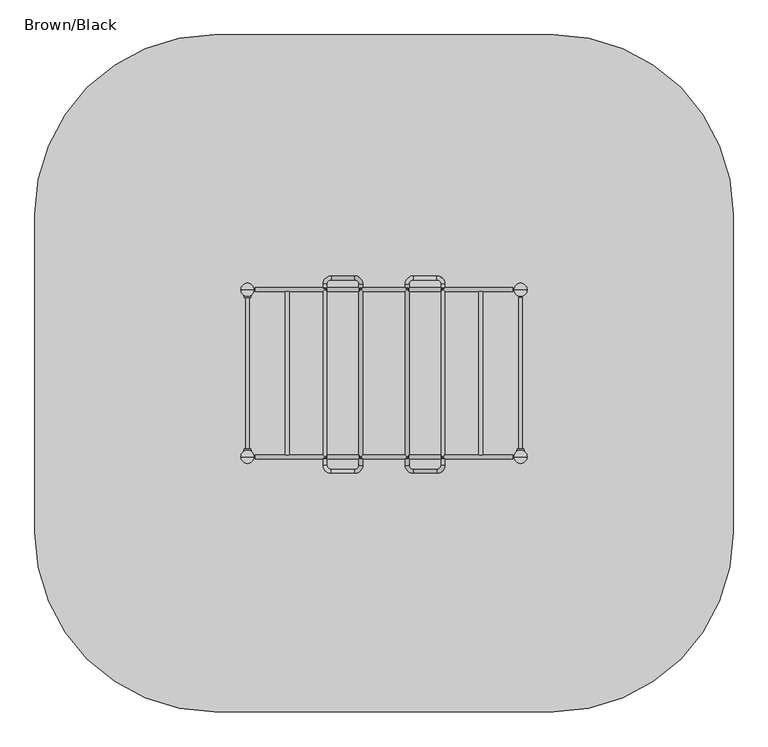
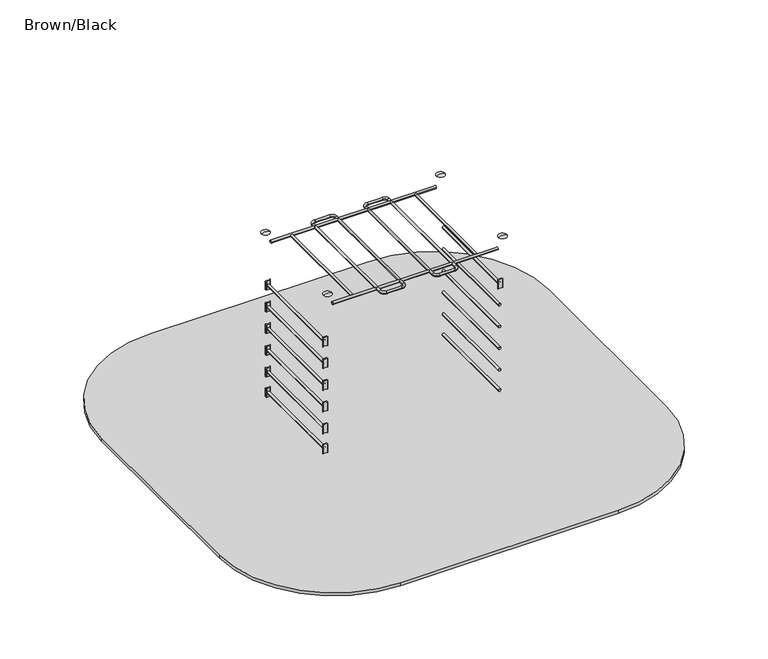
"""IFC4 building model written with IfcOpenShell, lengths in millimetres: furniture geometry, Brown/Black."""

from ifc_helpers import new_model, si_unit, point, frame, frame_2d, origin, place, context, project, spatial, polyline, circle_curve, ellipse_curve, trimmed, segment, composite_curve, outline, extrude, source, transform, mapped, element, save
from ifc_brep_helpers import plane_surface, cylinder_surface, revolved_surface, advanced_brep


def brown_black_d3753073(model_context):
    return source(origin(), model_context, "Body", "SolidModel", [
        extrude(outline(composite_curve([segment(trimmed(circle_curve(frame_2d((1708.6300052, 252.0740781)), 1.0), [point((1709.1723266, 251.233907))], [point((1707.6903126, 252.4160982))], False, "CARTESIAN"), True, "CONTINUOUS"), segment(polyline([(1707.6903126, 252.4160982), (1713.7605168, 269.0938471)]), True, "CONTINUOUS"), segment(trimmed(circle_curve(frame_2d((1714.7002094, 268.751827)), 1.0), [point((1713.7605168, 269.0938471))], [point((1714.7002094, 269.751827))], False, "CARTESIAN"), True, "CONTINUOUS"), segment(polyline([(1714.7002094, 269.751827), (1763.2997943, 269.751827)]), True, "CONTINUOUS"), segment(trimmed(circle_curve(frame_2d((1763.2997943, 268.751827)), 1.0), [point((1763.2997943, 269.751827))], [point((1764.2394869, 269.0938471))], False, "CARTESIAN"), True, "CONTINUOUS"), segment(polyline([(1764.2394869, 269.0938471), (1770.3096911, 252.4160982)]), True, "CONTINUOUS"), segment(trimmed(circle_curve(frame_2d((1769.3699985, 252.0740781)), 1.0), [point((1770.3096911, 252.4160982))], [point((1768.8276771, 251.233907))], False, "CARTESIAN"), True, "CONTINUOUS"), segment(trimmed(circle_curve(frame_2d((1739.0000019, 205.0244946)), 55.0), [point((1768.8276771, 251.233907))], [point((1709.1723266, 251.233907))], True, "CARTESIAN"), True, "CONTINUOUS")], self_intersect=False)), frame((0.0, 0.0, 1850.0), z_axis=(0.0, 0.0, 1.0), x_axis=(1.0, 0.0, 0.0)), (0.0, 0.0, 1.0), 120.0),
        extrude(outline(composite_curve([segment(trimmed(circle_curve(frame_2d((-516.6300052, 1557.9475586)), 1.0), [point((-517.1723266, 1558.7877298))], [point((-515.6903126, 1557.6055385))], False, "CARTESIAN"), True, "CONTINUOUS"), segment(polyline([(-515.6903126, 1557.6055385), (-521.7605168, 1540.9277896)]), True, "CONTINUOUS"), segment(trimmed(circle_curve(frame_2d((-522.7002094, 1541.2698097)), 1.0), [point((-521.7605168, 1540.9277896))], [point((-522.7002094, 1540.2698097))], False, "CARTESIAN"), True, "CONTINUOUS"), segment(polyline([(-522.7002094, 1540.2698097), (-571.2997943, 1540.2698097)]), True, "CONTINUOUS"), segment(trimmed(circle_curve(frame_2d((-571.2997943, 1541.2698097)), 1.0), [point((-571.2997943, 1540.2698097))], [point((-572.2394869, 1540.9277896))], False, "CARTESIAN"), True, "CONTINUOUS"), segment(polyline([(-572.2394869, 1540.9277896), (-578.3096911, 1557.6055385)]), True, "CONTINUOUS"), segment(trimmed(circle_curve(frame_2d((-577.3699985, 1557.9475586)), 1.0), [point((-578.3096911, 1557.6055385))], [point((-576.8276771, 1558.7877298))], False, "CARTESIAN"), True, "CONTINUOUS"), segment(trimmed(circle_curve(frame_2d((-547.0000019, 1604.9971421)), 55.0), [point((-576.8276771, 1558.7877298))], [point((-517.1723266, 1558.7877298))], True, "CARTESIAN"), True, "CONTINUOUS")], self_intersect=False)), frame((0.0, 0.0, 370.0), z_axis=(0.0, 0.0, 1.0), x_axis=(1.0, 0.0, 0.0)), (0.0, 0.0, 1.0), 120.0),
        extrude(outline(composite_curve([segment(trimmed(circle_curve(frame_2d((-577.3699948, 252.0740781)), 1.0), [point((-576.8276734, 251.233907))], [point((-578.3096874, 252.4160982))], False, "CARTESIAN"), True, "CONTINUOUS"), segment(polyline([(-578.3096874, 252.4160982), (-572.2394832, 269.0938471)]), True, "CONTINUOUS"), segment(trimmed(circle_curve(frame_2d((-571.2997906, 268.751827)), 1.0), [point((-572.2394832, 269.0938471))], [point((-571.2997906, 269.751827))], False, "CARTESIAN"), True, "CONTINUOUS"), segment(polyline([(-571.2997906, 269.751827), (-522.7002057, 269.751827)]), True, "CONTINUOUS"), segment(trimmed(circle_curve(frame_2d((-522.7002057, 268.751827)), 1.0), [point((-522.7002057, 269.751827))], [point((-521.7605131, 269.0938471))], False, "CARTESIAN"), True, "CONTINUOUS"), segment(polyline([(-521.7605131, 269.0938471), (-515.6903089, 252.4160982)]), True, "CONTINUOUS"), segment(trimmed(circle_curve(frame_2d((-516.6300015, 252.0740781)), 1.0), [point((-515.6903089, 252.4160982))], [point((-517.1723229, 251.233907))], False, "CARTESIAN"), True, "CONTINUOUS"), segment(trimmed(circle_curve(frame_2d((-546.9999981, 205.0244946)), 55.0), [point((-517.1723229, 251.233907))], [point((-576.8276734, 251.233907))], True, "CARTESIAN"), True, "CONTINUOUS")], self_intersect=False)), frame((0.0, 0.0, 370.0), z_axis=(0.0, 0.0, 1.0), x_axis=(1.0, 0.0, 0.0)), (0.0, 0.0, 1.0), 120.0),
        extrude(outline(composite_curve([segment(trimmed(circle_curve(frame_2d((-516.6300052, 1557.9475586)), 1.0), [point((-517.1723266, 1558.7877298))], [point((-515.6903126, 1557.6055385))], False, "CARTESIAN"), True, "CONTINUOUS"), segment(polyline([(-515.6903126, 1557.6055385), (-521.7605168, 1540.9277896)]), True, "CONTINUOUS"), segment(trimmed(circle_curve(frame_2d((-522.7002094, 1541.2698097)), 1.0), [point((-521.7605168, 1540.9277896))], [point((-522.7002094, 1540.2698097))], False, "CARTESIAN"), True, "CONTINUOUS"), segment(polyline([(-522.7002094, 1540.2698097), (-571.2997943, 1540.2698097)]), True, "CONTINUOUS"), segment(trimmed(circle_curve(frame_2d((-571.2997943, 1541.2698097)), 1.0), [point((-571.2997943, 1540.2698097))], [point((-572.2394869, 1540.9277896))], False, "CARTESIAN"), True, "CONTINUOUS"), segment(polyline([(-572.2394869, 1540.9277896), (-578.3096911, 1557.6055385)]), True, "CONTINUOUS"), segment(trimmed(circle_curve(frame_2d((-577.3699985, 1557.9475586)), 1.0), [point((-578.3096911, 1557.6055385))], [point((-576.8276771, 1558.7877298))], False, "CARTESIAN"), True, "CONTINUOUS"), segment(trimmed(circle_curve(frame_2d((-547.0000019, 1604.9971421)), 55.0), [point((-576.8276771, 1558.7877298))], [point((-517.1723266, 1558.7877298))], True, "CARTESIAN"), True, "CONTINUOUS")], self_intersect=False)), frame((0.0, 0.0, 650.0), z_axis=(0.0, 0.0, 1.0), x_axis=(1.0, 0.0, 0.0)), (0.0, 0.0, 1.0), 120.0),
        extrude(outline(composite_curve([segment(trimmed(circle_curve(frame_2d((-577.3699948, 252.0740781)), 1.0), [point((-576.8276734, 251.233907))], [point((-578.3096874, 252.4160982))], False, "CARTESIAN"), True, "CONTINUOUS"), segment(polyline([(-578.3096874, 252.4160982), (-572.2394832, 269.0938471)]), True, "CONTINUOUS"), segment(trimmed(circle_curve(frame_2d((-571.2997906, 268.751827)), 1.0), [point((-572.2394832, 269.0938471))], [point((-571.2997906, 269.751827))], False, "CARTESIAN"), True, "CONTINUOUS"), segment(polyline([(-571.2997906, 269.751827), (-522.7002057, 269.751827)]), True, "CONTINUOUS"), segment(trimmed(circle_curve(frame_2d((-522.7002057, 268.751827)), 1.0), [point((-522.7002057, 269.751827))], [point((-521.7605131, 269.0938471))], False, "CARTESIAN"), True, "CONTINUOUS"), segment(polyline([(-521.7605131, 269.0938471), (-515.6903089, 252.4160982)]), True, "CONTINUOUS"), segment(trimmed(circle_curve(frame_2d((-516.6300015, 252.0740781)), 1.0), [point((-515.6903089, 252.4160982))], [point((-517.1723229, 251.233907))], False, "CARTESIAN"), True, "CONTINUOUS"), segment(trimmed(circle_curve(frame_2d((-546.9999981, 205.0244946)), 55.0), [point((-517.1723229, 251.233907))], [point((-576.8276734, 251.233907))], True, "CARTESIAN"), True, "CONTINUOUS")], self_intersect=False)), frame((0.0, 0.0, 650.0), z_axis=(0.0, 0.0, 1.0), x_axis=(1.0, 0.0, 0.0)), (0.0, 0.0, 1.0), 120.0),
        extrude(outline(composite_curve([segment(trimmed(circle_curve(frame_2d((-516.6300052, 1557.9475586)), 1.0), [point((-517.1723266, 1558.7877298))], [point((-515.6903126, 1557.6055385))], False, "CARTESIAN"), True, "CONTINUOUS"), segment(polyline([(-515.6903126, 1557.6055385), (-521.7605168, 1540.9277896)]), True, "CONTINUOUS"), segment(trimmed(circle_curve(frame_2d((-522.7002094, 1541.2698097)), 1.0), [point((-521.7605168, 1540.9277896))], [point((-522.7002094, 1540.2698097))], False, "CARTESIAN"), True, "CONTINUOUS"), segment(polyline([(-522.7002094, 1540.2698097), (-571.2997943, 1540.2698097)]), True, "CONTINUOUS"), segment(trimmed(circle_curve(frame_2d((-571.2997943, 1541.2698097)), 1.0), [point((-571.2997943, 1540.2698097))], [point((-572.2394869, 1540.9277896))], False, "CARTESIAN"), True, "CONTINUOUS"), segment(polyline([(-572.2394869, 1540.9277896), (-578.3096911, 1557.6055385)]), True, "CONTINUOUS"), segment(trimmed(circle_curve(frame_2d((-577.3699985, 1557.9475586)), 1.0), [point((-578.3096911, 1557.6055385))], [point((-576.8276771, 1558.7877298))], False, "CARTESIAN"), True, "CONTINUOUS"), segment(trimmed(circle_curve(frame_2d((-547.0000019, 1604.9971421)), 55.0), [point((-576.8276771, 1558.7877298))], [point((-517.1723266, 1558.7877298))], True, "CARTESIAN"), True, "CONTINUOUS")], self_intersect=False)), frame((0.0, 0.0, 950.0), z_axis=(0.0, 0.0, 1.0), x_axis=(1.0, 0.0, 0.0)), (0.0, 0.0, 1.0), 120.0),
        extrude(outline(composite_curve([segment(trimmed(circle_curve(frame_2d((-577.3699948, 252.0740781)), 1.0), [point((-576.8276734, 251.233907))], [point((-578.3096874, 252.4160982))], False, "CARTESIAN"), True, "CONTINUOUS"), segment(polyline([(-578.3096874, 252.4160982), (-572.2394832, 269.0938471)]), True, "CONTINUOUS"), segment(trimmed(circle_curve(frame_2d((-571.2997906, 268.751827)), 1.0), [point((-572.2394832, 269.0938471))], [point((-571.2997906, 269.751827))], False, "CARTESIAN"), True, "CONTINUOUS"), segment(polyline([(-571.2997906, 269.751827), (-522.7002057, 269.751827)]), True, "CONTINUOUS"), segment(trimmed(circle_curve(frame_2d((-522.7002057, 268.751827)), 1.0), [point((-522.7002057, 269.751827))], [point((-521.7605131, 269.0938471))], False, "CARTESIAN"), True, "CONTINUOUS"), segment(polyline([(-521.7605131, 269.0938471), (-515.6903089, 252.4160982)]), True, "CONTINUOUS"), segment(trimmed(circle_curve(frame_2d((-516.6300015, 252.0740781)), 1.0), [point((-515.6903089, 252.4160982))], [point((-517.1723229, 251.233907))], False, "CARTESIAN"), True, "CONTINUOUS"), segment(trimmed(circle_curve(frame_2d((-546.9999981, 205.0244946)), 55.0), [point((-517.1723229, 251.233907))], [point((-576.8276734, 251.233907))], True, "CARTESIAN"), True, "CONTINUOUS")], self_intersect=False)), frame((0.0, 0.0, 950.0), z_axis=(0.0, 0.0, 1.0), x_axis=(1.0, 0.0, 0.0)), (0.0, 0.0, 1.0), 120.0),
        extrude(outline(composite_curve([segment(trimmed(circle_curve(frame_2d((-516.6300052, 1557.9475586)), 1.0), [point((-517.1723266, 1558.7877298))], [point((-515.6903126, 1557.6055385))], False, "CARTESIAN"), True, "CONTINUOUS"), segment(polyline([(-515.6903126, 1557.6055385), (-521.7605168, 1540.9277896)]), True, "CONTINUOUS"), segment(trimmed(circle_curve(frame_2d((-522.7002094, 1541.2698097)), 1.0), [point((-521.7605168, 1540.9277896))], [point((-522.7002094, 1540.2698097))], False, "CARTESIAN"), True, "CONTINUOUS"), segment(polyline([(-522.7002094, 1540.2698097), (-571.2997943, 1540.2698097)]), True, "CONTINUOUS"), segment(trimmed(circle_curve(frame_2d((-571.2997943, 1541.2698097)), 1.0), [point((-571.2997943, 1540.2698097))], [point((-572.2394869, 1540.9277896))], False, "CARTESIAN"), True, "CONTINUOUS"), segment(polyline([(-572.2394869, 1540.9277896), (-578.3096911, 1557.6055385)]), True, "CONTINUOUS"), segment(trimmed(circle_curve(frame_2d((-577.3699985, 1557.9475586)), 1.0), [point((-578.3096911, 1557.6055385))], [point((-576.8276771, 1558.7877298))], False, "CARTESIAN"), True, "CONTINUOUS"), segment(trimmed(circle_curve(frame_2d((-547.0000019, 1604.9971421)), 55.0), [point((-576.8276771, 1558.7877298))], [point((-517.1723266, 1558.7877298))], True, "CARTESIAN"), True, "CONTINUOUS")], self_intersect=False)), frame((0.0, 0.0, 1250.0), z_axis=(0.0, 0.0, 1.0), x_axis=(1.0, 0.0, 0.0)), (0.0, 0.0, 1.0), 120.0),
        extrude(outline(composite_curve([segment(trimmed(circle_curve(frame_2d((-577.3699948, 252.0740781)), 1.0), [point((-576.8276734, 251.233907))], [point((-578.3096874, 252.4160982))], False, "CARTESIAN"), True, "CONTINUOUS"), segment(polyline([(-578.3096874, 252.4160982), (-572.2394832, 269.0938471)]), True, "CONTINUOUS"), segment(trimmed(circle_curve(frame_2d((-571.2997906, 268.751827)), 1.0), [point((-572.2394832, 269.0938471))], [point((-571.2997906, 269.751827))], False, "CARTESIAN"), True, "CONTINUOUS"), segment(polyline([(-571.2997906, 269.751827), (-522.7002057, 269.751827)]), True, "CONTINUOUS"), segment(trimmed(circle_curve(frame_2d((-522.7002057, 268.751827)), 1.0), [point((-522.7002057, 269.751827))], [point((-521.7605131, 269.0938471))], False, "CARTESIAN"), True, "CONTINUOUS"), segment(polyline([(-521.7605131, 269.0938471), (-515.6903089, 252.4160982)]), True, "CONTINUOUS"), segment(trimmed(circle_curve(frame_2d((-516.6300015, 252.0740781)), 1.0), [point((-515.6903089, 252.4160982))], [point((-517.1723229, 251.233907))], False, "CARTESIAN"), True, "CONTINUOUS"), segment(trimmed(circle_curve(frame_2d((-546.9999981, 205.0244946)), 55.0), [point((-517.1723229, 251.233907))], [point((-576.8276734, 251.233907))], True, "CARTESIAN"), True, "CONTINUOUS")], self_intersect=False)), frame((0.0, 0.0, 1250.0), z_axis=(0.0, 0.0, 1.0), x_axis=(1.0, 0.0, 0.0)), (0.0, 0.0, 1.0), 120.0),
        extrude(outline(composite_curve([segment(trimmed(circle_curve(frame_2d((-516.6300052, 1557.9475586)), 1.0), [point((-517.1723266, 1558.7877298))], [point((-515.6903126, 1557.6055385))], False, "CARTESIAN"), True, "CONTINUOUS"), segment(polyline([(-515.6903126, 1557.6055385), (-521.7605168, 1540.9277896)]), True, "CONTINUOUS"), segment(trimmed(circle_curve(frame_2d((-522.7002094, 1541.2698097)), 1.0), [point((-521.7605168, 1540.9277896))], [point((-522.7002094, 1540.2698097))], False, "CARTESIAN"), True, "CONTINUOUS"), segment(polyline([(-522.7002094, 1540.2698097), (-571.2997943, 1540.2698097)]), True, "CONTINUOUS"), segment(trimmed(circle_curve(frame_2d((-571.2997943, 1541.2698097)), 1.0), [point((-571.2997943, 1540.2698097))], [point((-572.2394869, 1540.9277896))], False, "CARTESIAN"), True, "CONTINUOUS"), segment(polyline([(-572.2394869, 1540.9277896), (-578.3096911, 1557.6055385)]), True, "CONTINUOUS"), segment(trimmed(circle_curve(frame_2d((-577.3699985, 1557.9475586)), 1.0), [point((-578.3096911, 1557.6055385))], [point((-576.8276771, 1558.7877298))], False, "CARTESIAN"), True, "CONTINUOUS"), segment(trimmed(circle_curve(frame_2d((-547.0000019, 1604.9971421)), 55.0), [point((-576.8276771, 1558.7877298))], [point((-517.1723266, 1558.7877298))], True, "CARTESIAN"), True, "CONTINUOUS")], self_intersect=False)), frame((0.0, 0.0, 1550.0), z_axis=(0.0, 0.0, 1.0), x_axis=(1.0, 0.0, 0.0)), (0.0, 0.0, 1.0), 120.0),
        extrude(outline(composite_curve([segment(trimmed(circle_curve(frame_2d((-577.3699948, 252.0740781)), 1.0), [point((-576.8276734, 251.233907))], [point((-578.3096874, 252.4160982))], False, "CARTESIAN"), True, "CONTINUOUS"), segment(polyline([(-578.3096874, 252.4160982), (-572.2394832, 269.0938471)]), True, "CONTINUOUS"), segment(trimmed(circle_curve(frame_2d((-571.2997906, 268.751827)), 1.0), [point((-572.2394832, 269.0938471))], [point((-571.2997906, 269.751827))], False, "CARTESIAN"), True, "CONTINUOUS"), segment(polyline([(-571.2997906, 269.751827), (-522.7002057, 269.751827)]), True, "CONTINUOUS"), segment(trimmed(circle_curve(frame_2d((-522.7002057, 268.751827)), 1.0), [point((-522.7002057, 269.751827))], [point((-521.7605131, 269.0938471))], False, "CARTESIAN"), True, "CONTINUOUS"), segment(polyline([(-521.7605131, 269.0938471), (-515.6903089, 252.4160982)]), True, "CONTINUOUS"), segment(trimmed(circle_curve(frame_2d((-516.6300015, 252.0740781)), 1.0), [point((-515.6903089, 252.4160982))], [point((-517.1723229, 251.233907))], False, "CARTESIAN"), True, "CONTINUOUS"), segment(trimmed(circle_curve(frame_2d((-546.9999981, 205.0244946)), 55.0), [point((-517.1723229, 251.233907))], [point((-576.8276734, 251.233907))], True, "CARTESIAN"), True, "CONTINUOUS")], self_intersect=False)), frame((0.0, 0.0, 1550.0), z_axis=(0.0, 0.0, 1.0), x_axis=(1.0, 0.0, 0.0)), (0.0, 0.0, 1.0), 120.0),
        advanced_brep(
        [(1794.0, 1605.0, 2600.0), (1684.0, 1605.0, 2600.0), (1739.0, 1605.0, 2612.0246565), (1739.0, 1605.0, 2600.0)],
        [
            (0, 1, circle_curve(frame((1739.0, 1605.0, 2600.0), z_axis=(0.0, 0.0, 1.0), x_axis=(-1.0, 0.0, 0.0)), 55.0)),
            (1, 2, circle_curve(frame((1734.4549856, 1605.0, 2501.0177111), z_axis=(0.0, 1.0, 0.0), x_axis=(-1.0, 0.0, 0.0)), 111.0999509)),
            (2, 0, circle_curve(frame((1743.5450144, 1605.0, 2501.0177111), z_axis=(0.0, 1.0, 0.0), x_axis=(1.0, 0.0, 0.0)), 111.0999509)),
            (1, 0, circle_curve(frame((1739.0, 1605.0, 2600.0), z_axis=(0.0, 0.0, 1.0), x_axis=(-1.0, 0.0, 0.0)), 55.0)),
            (3, 1),
            (0, 3),
        ],
        [
            revolved_surface(trimmed(ellipse_curve(frame((1734.4549856, 1605.0, 2501.0177111), z_axis=(0.0, -1.0, 0.0), x_axis=(-1.0, 0.0, 0.0)), 111.0999509, 111.0999509), [point((1739.0, 1605.0, 2612.0246565))], [point((1684.0, 1605.0, 2600.0))], True, "CARTESIAN"), (1739.0, 1605.0, 2219.0), (0.0, 0.0, -1.0)),
            plane_surface(frame((1739.0, 1605.0, 2600.0), z_axis=(0.0, 0.0, -1.0), x_axis=(-1.0, 0.0, 0.0))),
        ],
        [
            (0, [[1, 2, 3]]),
            (0, [[4, -3, -2]]),
            (1, [[5, -1, 6]]),
            (1, [[-6, -4, -5]]),
        ],
    ),
        extrude(outline(composite_curve([segment(trimmed(circle_curve(frame_2d((-516.6300052, 1557.9475586)), 1.0), [point((-517.1723266, 1558.7877298))], [point((-515.6903126, 1557.6055385))], False, "CARTESIAN"), True, "CONTINUOUS"), segment(polyline([(-515.6903126, 1557.6055385), (-521.7605168, 1540.9277896)]), True, "CONTINUOUS"), segment(trimmed(circle_curve(frame_2d((-522.7002094, 1541.2698097)), 1.0), [point((-521.7605168, 1540.9277896))], [point((-522.7002094, 1540.2698097))], False, "CARTESIAN"), True, "CONTINUOUS"), segment(polyline([(-522.7002094, 1540.2698097), (-571.2997943, 1540.2698097)]), True, "CONTINUOUS"), segment(trimmed(circle_curve(frame_2d((-571.2997943, 1541.2698097)), 1.0), [point((-571.2997943, 1540.2698097))], [point((-572.2394869, 1540.9277896))], False, "CARTESIAN"), True, "CONTINUOUS"), segment(polyline([(-572.2394869, 1540.9277896), (-578.3096911, 1557.6055385)]), True, "CONTINUOUS"), segment(trimmed(circle_curve(frame_2d((-577.3699985, 1557.9475586)), 1.0), [point((-578.3096911, 1557.6055385))], [point((-576.8276771, 1558.7877298))], False, "CARTESIAN"), True, "CONTINUOUS"), segment(trimmed(circle_curve(frame_2d((-547.0000019, 1604.9971421)), 55.0), [point((-576.8276771, 1558.7877298))], [point((-517.1723266, 1558.7877298))], True, "CARTESIAN"), True, "CONTINUOUS")], self_intersect=False)), frame((0.0, 0.0, 1850.0), z_axis=(0.0, 0.0, 1.0), x_axis=(1.0, 0.0, 0.0)), (0.0, 0.0, 1.0), 120.0),
        extrude(outline(composite_curve([segment(trimmed(circle_curve(frame_2d((-577.3699948, 252.0740781)), 1.0), [point((-576.8276734, 251.233907))], [point((-578.3096874, 252.4160982))], False, "CARTESIAN"), True, "CONTINUOUS"), segment(polyline([(-578.3096874, 252.4160982), (-572.2394832, 269.0938471)]), True, "CONTINUOUS"), segment(trimmed(circle_curve(frame_2d((-571.2997906, 268.751827)), 1.0), [point((-572.2394832, 269.0938471))], [point((-571.2997906, 269.751827))], False, "CARTESIAN"), True, "CONTINUOUS"), segment(polyline([(-571.2997906, 269.751827), (-522.7002057, 269.751827)]), True, "CONTINUOUS"), segment(trimmed(circle_curve(frame_2d((-522.7002057, 268.751827)), 1.0), [point((-522.7002057, 269.751827))], [point((-521.7605131, 269.0938471))], False, "CARTESIAN"), True, "CONTINUOUS"), segment(polyline([(-521.7605131, 269.0938471), (-515.6903089, 252.4160982)]), True, "CONTINUOUS"), segment(trimmed(circle_curve(frame_2d((-516.6300015, 252.0740781)), 1.0), [point((-515.6903089, 252.4160982))], [point((-517.1723229, 251.233907))], False, "CARTESIAN"), True, "CONTINUOUS"), segment(trimmed(circle_curve(frame_2d((-546.9999981, 205.0244946)), 55.0), [point((-517.1723229, 251.233907))], [point((-576.8276734, 251.233907))], True, "CARTESIAN"), True, "CONTINUOUS")], self_intersect=False)), frame((0.0, 0.0, 1850.0), z_axis=(0.0, 0.0, 1.0), x_axis=(1.0, 0.0, 0.0)), (0.0, 0.0, 1.0), 120.0),
        advanced_brep(
        [(-492.0, 1605.0, 2600.0), (-602.0, 1605.0, 2600.0), (-547.0, 1605.0, 2612.0246565), (-547.0, 1605.0, 2600.0)],
        [
            (0, 1, circle_curve(frame((-547.0, 1605.0, 2600.0), z_axis=(0.0, 0.0, 1.0), x_axis=(-1.0, 0.0, 0.0)), 55.0)),
            (1, 2, circle_curve(frame((-551.5450144, 1605.0, 2501.0177111), z_axis=(0.0, 1.0, 0.0), x_axis=(-1.0, 0.0, 0.0)), 111.0999509)),
            (2, 0, circle_curve(frame((-542.4549856, 1605.0, 2501.0177111), z_axis=(0.0, 1.0, 0.0), x_axis=(1.0, 0.0, 0.0)), 111.0999509)),
            (1, 0, circle_curve(frame((-547.0, 1605.0, 2600.0), z_axis=(0.0, 0.0, 1.0), x_axis=(-1.0, 0.0, 0.0)), 55.0)),
            (3, 1),
            (0, 3),
        ],
        [
            revolved_surface(trimmed(ellipse_curve(frame((-551.5450144, 1605.0, 2501.0177111), z_axis=(0.0, -1.0, 0.0), x_axis=(-1.0, 0.0, 0.0)), 111.0999509, 111.0999509), [point((-547.0, 1605.0, 2612.0246565))], [point((-602.0, 1605.0, 2600.0))], True, "CARTESIAN"), (-547.0, 1605.0, 2219.0), (0.0, 0.0, -1.0)),
            plane_surface(frame((-547.0, 1605.0, 2600.0), z_axis=(0.0, 0.0, -1.0), x_axis=(-1.0, 0.0, 0.0))),
        ],
        [
            (0, [[1, 2, 3]]),
            (0, [[4, -3, -2]]),
            (1, [[5, -1, 6]]),
            (1, [[-6, -4, -5]]),
        ],
    ),
        advanced_brep(
        [(1794.0, 205.0, 2600.0), (1684.0, 205.0, 2600.0), (1739.0, 205.0, 2612.0246565), (1739.0, 205.0, 2600.0)],
        [
            (0, 1, circle_curve(frame((1739.0, 205.0, 2600.0), z_axis=(0.0, 0.0, 1.0), x_axis=(-1.0, 0.0, 0.0)), 55.0)),
            (1, 2, circle_curve(frame((1734.4549856, 205.0, 2501.0177111), z_axis=(0.0, 1.0, 0.0), x_axis=(-1.0, 0.0, 0.0)), 111.0999509)),
            (2, 0, circle_curve(frame((1743.5450144, 205.0, 2501.0177111), z_axis=(0.0, 1.0, 0.0), x_axis=(1.0, 0.0, 0.0)), 111.0999509)),
            (1, 0, circle_curve(frame((1739.0, 205.0, 2600.0), z_axis=(0.0, 0.0, 1.0), x_axis=(-1.0, 0.0, 0.0)), 55.0)),
            (3, 1),
            (0, 3),
        ],
        [
            revolved_surface(trimmed(ellipse_curve(frame((1734.4549856, 205.0, 2501.0177111), z_axis=(0.0, -1.0, 0.0), x_axis=(-1.0, 0.0, 0.0)), 111.0999509, 111.0999509), [point((1739.0, 205.0, 2612.0246565))], [point((1684.0, 205.0, 2600.0))], True, "CARTESIAN"), (1739.0, 205.0, 2219.0), (0.0, 0.0, -1.0)),
            plane_surface(frame((1739.0, 205.0, 2600.0), z_axis=(0.0, 0.0, -1.0), x_axis=(-1.0, 0.0, 0.0))),
        ],
        [
            (0, [[1, 2, 3]]),
            (0, [[4, -3, -2]]),
            (1, [[5, -1, 6]]),
            (1, [[-6, -4, -5]]),
        ],
    ),
        advanced_brep(
        [(-492.0, 205.0, 2600.0), (-602.0, 205.0, 2600.0), (-547.0, 205.0, 2612.0246565), (-547.0, 205.0, 2600.0)],
        [
            (0, 1, circle_curve(frame((-547.0, 205.0, 2600.0), z_axis=(0.0, 0.0, 1.0), x_axis=(-1.0, 0.0, 0.0)), 55.0)),
            (1, 2, circle_curve(frame((-551.5450144, 205.0, 2501.0177111), z_axis=(0.0, 1.0, 0.0), x_axis=(-1.0, 0.0, 0.0)), 111.0999509)),
            (2, 0, circle_curve(frame((-542.4549856, 205.0, 2501.0177111), z_axis=(0.0, 1.0, 0.0), x_axis=(1.0, 0.0, 0.0)), 111.0999509)),
            (1, 0, circle_curve(frame((-547.0, 205.0, 2600.0), z_axis=(0.0, 0.0, 1.0), x_axis=(-1.0, 0.0, 0.0)), 55.0)),
            (3, 1),
            (0, 3),
        ],
        [
            revolved_surface(trimmed(ellipse_curve(frame((-551.5450144, 205.0, 2501.0177111), z_axis=(0.0, -1.0, 0.0), x_axis=(-1.0, 0.0, 0.0)), 111.0999509, 111.0999509), [point((-547.0, 205.0, 2612.0246565))], [point((-602.0, 205.0, 2600.0))], True, "CARTESIAN"), (-547.0, 205.0, 2219.0), (0.0, 0.0, -1.0)),
            plane_surface(frame((-547.0, 205.0, 2600.0), z_axis=(0.0, 0.0, -1.0), x_axis=(-1.0, 0.0, 0.0))),
        ],
        [
            (0, [[1, 2, 3]]),
            (0, [[4, -3, -2]]),
            (1, [[5, -1, 6]]),
            (1, [[-6, -4, -5]]),
        ],
    ),
        extrude(outline(composite_curve([segment(trimmed(circle_curve(frame_2d((2450.015973, 1405.8153851)), 16.0), [point((2450.015973, 1421.8153851))], [point((2450.015973, 1389.8153851))], False, "CARTESIAN"), True, "CONTINUOUS"), segment(trimmed(circle_curve(frame_2d((2450.015973, 1405.8153851)), 16.0), [point((2450.015973, 1389.8153851))], [point((2450.015973, 1421.8153851))], False, "CARTESIAN"), True, "CONTINUOUS")], self_intersect=False)), frame((0.0, 221.0000669, 0.0), z_axis=(0.0, 1.0, 0.0), x_axis=(0.0, 0.0, 1.0)), (0.0, 0.0, 1.0), 1367.9998675),
        advanced_brep(
        [(773.5039095, 1653.7235244, 2450.015973), (839.5039095, 1719.7235244, 2450.015973), (839.5039095, 1687.7235244, 2450.015973), (805.5039095, 1653.7235244, 2450.015973), (805.5039095, 133.7235244, 2450.015973), (773.5039095, 133.7235244, 2450.015973), (839.5039095, 67.7235244, 2450.015973), (839.5039095, 99.7235244, 2450.015973), (1039.5039095, 99.7235244, 2450.015973), (1039.5039095, 67.7235244, 2450.015973), (1105.5039095, 133.7235244, 2450.015973), (1073.5039095, 133.7235244, 2450.015973), (1073.5039095, 1653.7235244, 2450.015973), (1105.5039095, 1653.7235244, 2450.015973), (1039.5039095, 1719.7235244, 2450.015973), (1039.5039095, 1687.7235244, 2450.015973)],
        [
            (0, 1, circle_curve(frame((839.5039095, 1653.7235244, 2450.015973), z_axis=(0.0, 0.0, -1.0), x_axis=(0.0, 1.0, 0.0)), 66.0)),
            (1, 2, circle_curve(frame((839.5039095, 1703.7235244, 2450.015973), z_axis=(-1.0, 0.0, 0.0), x_axis=(0.0, -1.0, 0.0)), 16.0)),
            (2, 3, circle_curve(frame((839.5039095, 1653.7235244, 2450.015973), z_axis=(0.0, 0.0, 1.0), x_axis=(0.0, 1.0, 0.0)), 34.0)),
            (3, 0, circle_curve(frame((789.5039095, 1653.7235244, 2450.015973), z_axis=(0.0, 1.0, 0.0), x_axis=(1.0, 0.0, 0.0)), 16.0)),
            (2, 1, circle_curve(frame((839.5039095, 1703.7235244, 2450.015973), z_axis=(-1.0, 0.0, 0.0), x_axis=(0.0, -1.0, 0.0)), 16.0)),
            (0, 3, circle_curve(frame((789.5039095, 1653.7235244, 2450.015973), z_axis=(0.0, 1.0, 0.0), x_axis=(1.0, 0.0, 0.0)), 16.0)),
            (3, 4),
            (4, 5, circle_curve(frame((789.5039095, 133.7235244, 2450.015973), z_axis=(0.0, 1.0, 0.0), x_axis=(1.0, 0.0, 0.0)), 16.0)),
            (5, 0),
            (5, 4, circle_curve(frame((789.5039095, 133.7235244, 2450.015973), z_axis=(0.0, 1.0, 0.0), x_axis=(1.0, 0.0, 0.0)), 16.0)),
            (6, 5, circle_curve(frame((839.5039095, 133.7235244, 2450.015973), z_axis=(0.0, 0.0, -1.0), x_axis=(-1.0, 0.0, 0.0)), 66.0)),
            (4, 7, circle_curve(frame((839.5039095, 133.7235244, 2450.015973), z_axis=(0.0, 0.0, 1.0), x_axis=(-1.0, 0.0, 0.0)), 34.0)),
            (7, 6, circle_curve(frame((839.5039095, 83.7235244, 2450.015973), z_axis=(-1.0, 0.0, 0.0), x_axis=(0.0, 1.0, 0.0)), 16.0)),
            (6, 7, circle_curve(frame((839.5039095, 83.7235244, 2450.015973), z_axis=(-1.0, 0.0, 0.0), x_axis=(0.0, 1.0, 0.0)), 16.0)),
            (7, 8),
            (8, 9, circle_curve(frame((1039.5039095, 83.7235244, 2450.015973), z_axis=(-1.0, 0.0, 0.0), x_axis=(0.0, 1.0, 0.0)), 16.0)),
            (9, 6),
            (9, 8, circle_curve(frame((1039.5039095, 83.7235244, 2450.015973), z_axis=(-1.0, 0.0, 0.0), x_axis=(0.0, 1.0, 0.0)), 16.0)),
            (10, 9, circle_curve(frame((1039.5039095, 133.7235244, 2450.015973), z_axis=(0.0, 0.0, -1.0), x_axis=(0.0, -1.0, 0.0)), 66.0)),
            (8, 11, circle_curve(frame((1039.5039095, 133.7235244, 2450.015973), z_axis=(0.0, 0.0, 1.0), x_axis=(0.0, -1.0, 0.0)), 34.0)),
            (11, 10, circle_curve(frame((1089.5039095, 133.7235244, 2450.015973), z_axis=(0.0, -1.0, 0.0), x_axis=(-1.0, 0.0, 0.0)), 16.0)),
            (10, 11, circle_curve(frame((1089.5039095, 133.7235244, 2450.015973), z_axis=(0.0, -1.0, 0.0), x_axis=(-1.0, 0.0, 0.0)), 16.0)),
            (11, 12),
            (12, 13, circle_curve(frame((1089.5039095, 1653.7235244, 2450.015973), z_axis=(0.0, -1.0, 0.0), x_axis=(-1.0, 0.0, 0.0)), 16.0)),
            (13, 10),
            (13, 12, circle_curve(frame((1089.5039095, 1653.7235244, 2450.015973), z_axis=(0.0, -1.0, 0.0), x_axis=(-1.0, 0.0, 0.0)), 16.0)),
            (14, 13, circle_curve(frame((1039.5039095, 1653.7235244, 2450.015973), z_axis=(0.0, 0.0, -1.0), x_axis=(1.0, 0.0, 0.0)), 66.0)),
            (12, 15, circle_curve(frame((1039.5039095, 1653.7235244, 2450.015973), z_axis=(0.0, 0.0, 1.0), x_axis=(1.0, 0.0, 0.0)), 34.0)),
            (15, 14, circle_curve(frame((1039.5039095, 1703.7235244, 2450.015973), z_axis=(1.0, 0.0, 0.0), x_axis=(0.0, -1.0, 0.0)), 16.0)),
            (14, 15, circle_curve(frame((1039.5039095, 1703.7235244, 2450.015973), z_axis=(1.0, 0.0, 0.0), x_axis=(0.0, -1.0, 0.0)), 16.0)),
            (15, 2),
            (1, 14),
        ],
        [
            revolved_surface(trimmed(ellipse_curve(frame((839.5039095, 1703.7235244, 2450.015973), z_axis=(1.0, 0.0, 0.0), x_axis=(0.0, -1.0, 0.0)), 16.0, 16.0), [point((839.5039095, 1687.7235244, 2450.015973))], [point((839.5039095, 1719.7235244, 2450.015973))], True, "CARTESIAN"), (839.5039095, 1653.7235244, 2450.015973), (0.0, 0.0, 1.0)),
            revolved_surface(trimmed(ellipse_curve(frame((839.5039095, 1703.7235244, 2450.015973), z_axis=(1.0, 0.0, 0.0), x_axis=(0.0, -1.0, 0.0)), 16.0, 16.0), [point((839.5039095, 1719.7235244, 2450.015973))], [point((839.5039095, 1687.7235244, 2450.015973))], True, "CARTESIAN"), (839.5039095, 1653.7235244, 2450.015973), (0.0, 0.0, 1.0)),
            cylinder_surface(frame((789.5039095, 1653.7235244, 2450.015973), z_axis=(0.0, 1.0, 0.0), x_axis=(1.0, 0.0, 0.0)), 16.0),
            revolved_surface(trimmed(ellipse_curve(frame((789.5039095, 133.7235244, 2450.015973), z_axis=(0.0, 1.0, 0.0), x_axis=(1.0, 0.0, 0.0)), 16.0, 16.0), [point((805.5039095, 133.7235244, 2450.015973))], [point((773.5039095, 133.7235244, 2450.015973))], True, "CARTESIAN"), (839.5039095, 133.7235244, 2450.015973), (0.0, 0.0, 1.0)),
            revolved_surface(trimmed(ellipse_curve(frame((789.5039095, 133.7235244, 2450.015973), z_axis=(0.0, 1.0, 0.0), x_axis=(1.0, 0.0, 0.0)), 16.0, 16.0), [point((773.5039095, 133.7235244, 2450.015973))], [point((805.5039095, 133.7235244, 2450.015973))], True, "CARTESIAN"), (839.5039095, 133.7235244, 2450.015973), (0.0, 0.0, 1.0)),
            cylinder_surface(frame((839.5039095, 83.7235244, 2450.015973), z_axis=(-1.0, 0.0, 0.0), x_axis=(0.0, 1.0, 0.0)), 16.0),
            revolved_surface(trimmed(ellipse_curve(frame((1039.5039095, 83.7235244, 2450.015973), z_axis=(-1.0, 0.0, 0.0), x_axis=(0.0, 1.0, 0.0)), 16.0, 16.0), [point((1039.5039095, 99.7235244, 2450.015973))], [point((1039.5039095, 67.7235244, 2450.015973))], True, "CARTESIAN"), (1039.5039095, 133.7235244, 2450.015973), (0.0, 0.0, 1.0)),
            revolved_surface(trimmed(ellipse_curve(frame((1039.5039095, 83.7235244, 2450.015973), z_axis=(-1.0, 0.0, 0.0), x_axis=(0.0, 1.0, 0.0)), 16.0, 16.0), [point((1039.5039095, 67.7235244, 2450.015973))], [point((1039.5039095, 99.7235244, 2450.015973))], True, "CARTESIAN"), (1039.5039095, 133.7235244, 2450.015973), (0.0, 0.0, 1.0)),
            cylinder_surface(frame((1089.5039095, 133.7235244, 2450.015973), z_axis=(0.0, -1.0, 0.0), x_axis=(-1.0, 0.0, 0.0)), 16.0),
            revolved_surface(trimmed(ellipse_curve(frame((1089.5039095, 1653.7235244, 2450.015973), z_axis=(0.0, -1.0, 0.0), x_axis=(-1.0, 0.0, 0.0)), 16.0, 16.0), [point((1073.5039095, 1653.7235244, 2450.015973))], [point((1105.5039095, 1653.7235244, 2450.015973))], True, "CARTESIAN"), (1039.5039095, 1653.7235244, 2450.015973), (0.0, 0.0, 1.0)),
            revolved_surface(trimmed(ellipse_curve(frame((1089.5039095, 1653.7235244, 2450.015973), z_axis=(0.0, -1.0, 0.0), x_axis=(-1.0, 0.0, 0.0)), 16.0, 16.0), [point((1105.5039095, 1653.7235244, 2450.015973))], [point((1073.5039095, 1653.7235244, 2450.015973))], True, "CARTESIAN"), (1039.5039095, 1653.7235244, 2450.015973), (0.0, 0.0, 1.0)),
            cylinder_surface(frame((1039.5039095, 1703.7235244, 2450.015973), z_axis=(1.0, 0.0, 0.0), x_axis=(0.0, -1.0, 0.0)), 16.0),
        ],
        [
            (0, [[1, 2, 3, 4]]),
            (1, [[-3, 5, -1, 6]]),
            (2, [[-4, 7, 8, 9]]),
            (2, [[-6, -9, 10, -7]]),
            (3, [[11, -8, 12, 13]]),
            (4, [[-12, -10, -11, 14]]),
            (5, [[-13, 15, 16, 17]]),
            (5, [[-14, -17, 18, -15]]),
            (6, [[19, -16, 20, 21]]),
            (7, [[-20, -18, -19, 22]]),
            (8, [[-21, 23, 24, 25]]),
            (8, [[-22, -25, 26, -23]]),
            (9, [[27, -24, 28, 29]]),
            (10, [[-28, -26, -27, 30]]),
            (11, [[-29, 31, -2, 32]]),
            (11, [[-30, -32, -5, -31]]),
        ],
    ),
        extrude(outline(composite_curve([segment(trimmed(circle_curve(frame_2d((2450.015973, -213.8153851)), 16.0), [point((2450.015973, -229.8153851))], [point((2450.015973, -197.8153851))], False, "CARTESIAN"), True, "CONTINUOUS"), segment(trimmed(circle_curve(frame_2d((2450.015973, -213.8153851)), 16.0), [point((2450.015973, -197.8153851))], [point((2450.015973, -229.8153851))], False, "CARTESIAN"), True, "CONTINUOUS")], self_intersect=False)), frame((0.0, 221.0000669, 0.0), z_axis=(0.0, 1.0, 0.0), x_axis=(0.0, 0.0, 1.0)), (0.0, 0.0, 1.0), 1367.9998675),
        advanced_brep(
        [(418.4960905, 1653.7235244, 2450.015973), (352.4960905, 1719.7235244, 2450.015973), (352.4960905, 1687.7235244, 2450.015973), (386.4960905, 1653.7235244, 2450.015973), (386.4960905, 133.7235244, 2450.015973), (418.4960905, 133.7235244, 2450.015973), (352.4960905, 67.7235244, 2450.015973), (352.4960905, 99.7235244, 2450.015973), (152.4960905, 99.7235244, 2450.015973), (152.4960905, 67.7235244, 2450.015973), (86.4960905, 133.7235244, 2450.015973), (118.4960905, 133.7235244, 2450.015973), (118.4960905, 1653.7235244, 2450.015973), (86.4960905, 1653.7235244, 2450.015973), (152.4960905, 1719.7235244, 2450.015973), (152.4960905, 1687.7235244, 2450.015973)],
        [
            (0, 1, circle_curve(frame((352.4960905, 1653.7235244, 2450.015973), z_axis=(0.0, 0.0, 1.0), x_axis=(0.0, 1.0, 0.0)), 66.0)),
            (1, 2, circle_curve(frame((352.4960905, 1703.7235244, 2450.015973), z_axis=(1.0, 0.0, 0.0), x_axis=(0.0, 1.0, 0.0)), 16.0)),
            (2, 3, circle_curve(frame((352.4960905, 1653.7235244, 2450.015973), z_axis=(0.0, 0.0, -1.0), x_axis=(0.0, 1.0, 0.0)), 34.0)),
            (3, 0, circle_curve(frame((402.4960905, 1653.7235244, 2450.015973), z_axis=(0.0, 1.0, 0.0), x_axis=(1.0, 0.0, 0.0)), 16.0)),
            (2, 1, circle_curve(frame((352.4960905, 1703.7235244, 2450.015973), z_axis=(1.0, 0.0, 0.0), x_axis=(0.0, 1.0, 0.0)), 16.0)),
            (0, 3, circle_curve(frame((402.4960905, 1653.7235244, 2450.015973), z_axis=(0.0, 1.0, 0.0), x_axis=(1.0, 0.0, 0.0)), 16.0)),
            (3, 4),
            (4, 5, circle_curve(frame((402.4960905, 133.7235244, 2450.015973), z_axis=(0.0, 1.0, 0.0), x_axis=(1.0, 0.0, 0.0)), 16.0)),
            (5, 0),
            (5, 4, circle_curve(frame((402.4960905, 133.7235244, 2450.015973), z_axis=(0.0, 1.0, 0.0), x_axis=(1.0, 0.0, 0.0)), 16.0)),
            (6, 5, circle_curve(frame((352.4960905, 133.7235244, 2450.015973), z_axis=(0.0, 0.0, 1.0), x_axis=(1.0, 0.0, 0.0)), 66.0)),
            (4, 7, circle_curve(frame((352.4960905, 133.7235244, 2450.015973), z_axis=(0.0, 0.0, -1.0), x_axis=(1.0, 0.0, 0.0)), 34.0)),
            (7, 6, circle_curve(frame((352.4960905, 83.7235244, 2450.015973), z_axis=(1.0, 0.0, 0.0), x_axis=(0.0, -1.0, 0.0)), 16.0)),
            (6, 7, circle_curve(frame((352.4960905, 83.7235244, 2450.015973), z_axis=(1.0, 0.0, 0.0), x_axis=(0.0, -1.0, 0.0)), 16.0)),
            (7, 8),
            (8, 9, circle_curve(frame((152.4960905, 83.7235244, 2450.015973), z_axis=(1.0, 0.0, 0.0), x_axis=(0.0, -1.0, 0.0)), 16.0)),
            (9, 6),
            (9, 8, circle_curve(frame((152.4960905, 83.7235244, 2450.015973), z_axis=(1.0, 0.0, 0.0), x_axis=(0.0, -1.0, 0.0)), 16.0)),
            (10, 9, circle_curve(frame((152.4960905, 133.7235244, 2450.015973), z_axis=(0.0, 0.0, 1.0), x_axis=(0.0, -1.0, 0.0)), 66.0)),
            (8, 11, circle_curve(frame((152.4960905, 133.7235244, 2450.015973), z_axis=(0.0, 0.0, -1.0), x_axis=(0.0, -1.0, 0.0)), 34.0)),
            (11, 10, circle_curve(frame((102.4960905, 133.7235244, 2450.015973), z_axis=(0.0, -1.0, 0.0), x_axis=(-1.0, 0.0, 0.0)), 16.0)),
            (10, 11, circle_curve(frame((102.4960905, 133.7235244, 2450.015973), z_axis=(0.0, -1.0, 0.0), x_axis=(-1.0, 0.0, 0.0)), 16.0)),
            (11, 12),
            (12, 13, circle_curve(frame((102.4960905, 1653.7235244, 2450.015973), z_axis=(0.0, -1.0, 0.0), x_axis=(-1.0, 0.0, 0.0)), 16.0)),
            (13, 10),
            (13, 12, circle_curve(frame((102.4960905, 1653.7235244, 2450.015973), z_axis=(0.0, -1.0, 0.0), x_axis=(-1.0, 0.0, 0.0)), 16.0)),
            (14, 13, circle_curve(frame((152.4960905, 1653.7235244, 2450.015973), z_axis=(0.0, 0.0, 1.0), x_axis=(-1.0, 0.0, 0.0)), 66.0)),
            (12, 15, circle_curve(frame((152.4960905, 1653.7235244, 2450.015973), z_axis=(0.0, 0.0, -1.0), x_axis=(-1.0, 0.0, 0.0)), 34.0)),
            (15, 14, circle_curve(frame((152.4960905, 1703.7235244, 2450.015973), z_axis=(-1.0, 0.0, 0.0), x_axis=(0.0, 1.0, 0.0)), 16.0)),
            (14, 15, circle_curve(frame((152.4960905, 1703.7235244, 2450.015973), z_axis=(-1.0, 0.0, 0.0), x_axis=(0.0, 1.0, 0.0)), 16.0)),
            (15, 2),
            (1, 14),
        ],
        [
            revolved_surface(trimmed(ellipse_curve(frame((352.4960905, 1703.7235244, 2450.015973), z_axis=(-1.0, 0.0, 0.0), x_axis=(0.0, 1.0, 0.0)), 16.0, 16.0), [point((352.4960905, 1687.7235244, 2450.015973))], [point((352.4960905, 1719.7235244, 2450.015973))], True, "CARTESIAN"), (352.4960905, 1653.7235244, 2450.015973), (0.0, 0.0, -1.0)),
            revolved_surface(trimmed(ellipse_curve(frame((352.4960905, 1703.7235244, 2450.015973), z_axis=(-1.0, 0.0, 0.0), x_axis=(0.0, 1.0, 0.0)), 16.0, 16.0), [point((352.4960905, 1719.7235244, 2450.015973))], [point((352.4960905, 1687.7235244, 2450.015973))], True, "CARTESIAN"), (352.4960905, 1653.7235244, 2450.015973), (0.0, 0.0, -1.0)),
            cylinder_surface(frame((402.4960905, 1653.7235244, 2450.015973), z_axis=(0.0, 1.0, 0.0), x_axis=(1.0, 0.0, 0.0)), 16.0),
            revolved_surface(trimmed(ellipse_curve(frame((402.4960905, 133.7235244, 2450.015973), z_axis=(0.0, 1.0, 0.0), x_axis=(1.0, 0.0, 0.0)), 16.0, 16.0), [point((386.4960905, 133.7235244, 2450.015973))], [point((418.4960905, 133.7235244, 2450.015973))], True, "CARTESIAN"), (352.4960905, 133.7235244, 2450.015973), (0.0, 0.0, -1.0)),
            revolved_surface(trimmed(ellipse_curve(frame((402.4960905, 133.7235244, 2450.015973), z_axis=(0.0, 1.0, 0.0), x_axis=(1.0, 0.0, 0.0)), 16.0, 16.0), [point((418.4960905, 133.7235244, 2450.015973))], [point((386.4960905, 133.7235244, 2450.015973))], True, "CARTESIAN"), (352.4960905, 133.7235244, 2450.015973), (0.0, 0.0, -1.0)),
            cylinder_surface(frame((352.4960905, 83.7235244, 2450.015973), z_axis=(1.0, 0.0, 0.0), x_axis=(0.0, -1.0, 0.0)), 16.0),
            revolved_surface(trimmed(ellipse_curve(frame((152.4960905, 83.7235244, 2450.015973), z_axis=(1.0, 0.0, 0.0), x_axis=(0.0, -1.0, 0.0)), 16.0, 16.0), [point((152.4960905, 99.7235244, 2450.015973))], [point((152.4960905, 67.7235244, 2450.015973))], True, "CARTESIAN"), (152.4960905, 133.7235244, 2450.015973), (0.0, 0.0, -1.0)),
            revolved_surface(trimmed(ellipse_curve(frame((152.4960905, 83.7235244, 2450.015973), z_axis=(1.0, 0.0, 0.0), x_axis=(0.0, -1.0, 0.0)), 16.0, 16.0), [point((152.4960905, 67.7235244, 2450.015973))], [point((152.4960905, 99.7235244, 2450.015973))], True, "CARTESIAN"), (152.4960905, 133.7235244, 2450.015973), (0.0, 0.0, -1.0)),
            cylinder_surface(frame((102.4960905, 133.7235244, 2450.015973), z_axis=(0.0, -1.0, 0.0), x_axis=(-1.0, 0.0, 0.0)), 16.0),
            revolved_surface(trimmed(ellipse_curve(frame((102.4960905, 1653.7235244, 2450.015973), z_axis=(0.0, -1.0, 0.0), x_axis=(-1.0, 0.0, 0.0)), 16.0, 16.0), [point((118.4960905, 1653.7235244, 2450.015973))], [point((86.4960905, 1653.7235244, 2450.015973))], True, "CARTESIAN"), (152.4960905, 1653.7235244, 2450.015973), (0.0, 0.0, -1.0)),
            revolved_surface(trimmed(ellipse_curve(frame((102.4960905, 1653.7235244, 2450.015973), z_axis=(0.0, -1.0, 0.0), x_axis=(-1.0, 0.0, 0.0)), 16.0, 16.0), [point((86.4960905, 1653.7235244, 2450.015973))], [point((118.4960905, 1653.7235244, 2450.015973))], True, "CARTESIAN"), (152.4960905, 1653.7235244, 2450.015973), (0.0, 0.0, -1.0)),
            cylinder_surface(frame((152.4960905, 1703.7235244, 2450.015973), z_axis=(-1.0, 0.0, 0.0), x_axis=(0.0, 1.0, 0.0)), 16.0),
        ],
        [
            (0, [[1, 2, 3, 4]]),
            (1, [[-3, 5, -1, 6]]),
            (2, [[-4, 7, 8, 9]]),
            (2, [[-6, -9, 10, -7]]),
            (3, [[11, -8, 12, 13]]),
            (4, [[-12, -10, -11, 14]]),
            (5, [[-13, 15, 16, 17]]),
            (5, [[-14, -17, 18, -15]]),
            (6, [[19, -16, 20, 21]]),
            (7, [[-20, -18, -19, 22]]),
            (8, [[-21, 23, 24, 25]]),
            (8, [[-22, -25, 26, -23]]),
            (9, [[27, -24, 28, 29]]),
            (10, [[-28, -26, -27, 30]]),
            (11, [[-29, 31, -2, 32]]),
            (11, [[-30, -32, -5, -31]]),
        ],
    ),
        extrude(outline(composite_curve([segment(trimmed(circle_curve(frame_2d((1605.0, 2450.0)), 16.0), [point((1621.0, 2450.0))], [point((1589.0, 2450.0))], False, "CARTESIAN"), True, "CONTINUOUS"), segment(trimmed(circle_curve(frame_2d((1605.0, 2450.0)), 16.0), [point((1589.0, 2450.0))], [point((1621.0, 2450.0))], False, "CARTESIAN"), True, "CONTINUOUS")], self_intersect=False)), frame((-482.234375, 0.0, 0.0), z_axis=(1.0, 0.0, 0.0), x_axis=(0.0, 1.0, 0.0)), (0.0, 0.0, 1.0), 2156.46875),
        extrude(outline(composite_curve([segment(trimmed(circle_curve(frame_2d((205.0, 2450.0)), 16.0), [point((221.0, 2450.0))], [point((189.0, 2450.0))], False, "CARTESIAN"), True, "CONTINUOUS"), segment(trimmed(circle_curve(frame_2d((205.0, 2450.0)), 16.0), [point((189.0, 2450.0))], [point((221.0, 2450.0))], False, "CARTESIAN"), True, "CONTINUOUS")], self_intersect=False)), frame((-482.234375, 0.0, 0.0), z_axis=(1.0, 0.0, 0.0), x_axis=(0.0, 1.0, 0.0)), (0.0, 0.0, 1.0), 2156.46875),
        extrude(outline(composite_curve([segment(trimmed(circle_curve(frame_2d((1910.0, 1739.0)), 16.0), [point((1910.0, 1723.0))], [point((1910.0, 1755.0))], False, "CARTESIAN"), True, "CONTINUOUS"), segment(trimmed(circle_curve(frame_2d((1910.0, 1739.0)), 16.0), [point((1910.0, 1755.0))], [point((1910.0, 1723.0))], False, "CARTESIAN"), True, "CONTINUOUS")], self_intersect=False)), frame((0.0, 269.751827, 0.0), z_axis=(0.0, 1.0, 0.0), x_axis=(0.0, 0.0, 1.0)), (0.0, 0.0, 1.0), 1270.4886858),
        extrude(outline(composite_curve([segment(trimmed(circle_curve(frame_2d((1610.0, 1739.0)), 16.0), [point((1610.0, 1723.0))], [point((1610.0, 1755.0))], False, "CARTESIAN"), True, "CONTINUOUS"), segment(trimmed(circle_curve(frame_2d((1610.0, 1739.0)), 16.0), [point((1610.0, 1755.0))], [point((1610.0, 1723.0))], False, "CARTESIAN"), True, "CONTINUOUS")], self_intersect=False)), frame((0.0, 269.751827, 0.0), z_axis=(0.0, 1.0, 0.0), x_axis=(0.0, 0.0, 1.0)), (0.0, 0.0, 1.0), 1270.4886858),
        extrude(outline(composite_curve([segment(trimmed(circle_curve(frame_2d((1310.0, 1739.0)), 16.0), [point((1310.0, 1723.0))], [point((1310.0, 1755.0))], False, "CARTESIAN"), True, "CONTINUOUS"), segment(trimmed(circle_curve(frame_2d((1310.0, 1739.0)), 16.0), [point((1310.0, 1755.0))], [point((1310.0, 1723.0))], False, "CARTESIAN"), True, "CONTINUOUS")], self_intersect=False)), frame((0.0, 269.751827, 0.0), z_axis=(0.0, 1.0, 0.0), x_axis=(0.0, 0.0, 1.0)), (0.0, 0.0, 1.0), 1270.4886858),
        extrude(outline(composite_curve([segment(trimmed(circle_curve(frame_2d((1010.0, 1739.0)), 16.0), [point((1010.0, 1723.0))], [point((1010.0, 1755.0))], False, "CARTESIAN"), True, "CONTINUOUS"), segment(trimmed(circle_curve(frame_2d((1010.0, 1739.0)), 16.0), [point((1010.0, 1755.0))], [point((1010.0, 1723.0))], False, "CARTESIAN"), True, "CONTINUOUS")], self_intersect=False)), frame((0.0, 269.751827, 0.0), z_axis=(0.0, 1.0, 0.0), x_axis=(0.0, 0.0, 1.0)), (0.0, 0.0, 1.0), 1270.4886858),
        extrude(outline(composite_curve([segment(trimmed(circle_curve(frame_2d((710.0, 1739.0)), 16.0), [point((710.0, 1723.0))], [point((710.0, 1755.0))], False, "CARTESIAN"), True, "CONTINUOUS"), segment(trimmed(circle_curve(frame_2d((710.0, 1739.0)), 16.0), [point((710.0, 1755.0))], [point((710.0, 1723.0))], False, "CARTESIAN"), True, "CONTINUOUS")], self_intersect=False)), frame((0.0, 269.751827, 0.0), z_axis=(0.0, 1.0, 0.0), x_axis=(0.0, 0.0, 1.0)), (0.0, 0.0, 1.0), 1270.4886858),
        extrude(outline(composite_curve([segment(trimmed(circle_curve(frame_2d((430.0, 1739.0)), 16.0), [point((430.0, 1723.0))], [point((430.0, 1755.0))], False, "CARTESIAN"), True, "CONTINUOUS"), segment(trimmed(circle_curve(frame_2d((430.0, 1739.0)), 16.0), [point((430.0, 1755.0))], [point((430.0, 1723.0))], False, "CARTESIAN"), True, "CONTINUOUS")], self_intersect=False)), frame((0.0, 269.751827, 0.0), z_axis=(0.0, 1.0, 0.0), x_axis=(0.0, 0.0, 1.0)), (0.0, 0.0, 1.0), 1270.4886858),
        extrude(outline(composite_curve([segment(trimmed(circle_curve(frame_2d((1910.0, -547.0)), 16.0), [point((1910.0, -563.0))], [point((1910.0, -531.0))], False, "CARTESIAN"), True, "CONTINUOUS"), segment(trimmed(circle_curve(frame_2d((1910.0, -547.0)), 16.0), [point((1910.0, -531.0))], [point((1910.0, -563.0))], False, "CARTESIAN"), True, "CONTINUOUS")], self_intersect=False)), frame((0.0, 269.751827, 0.0), z_axis=(0.0, 1.0, 0.0), x_axis=(0.0, 0.0, 1.0)), (0.0, 0.0, 1.0), 1270.5179827),
        extrude(outline(composite_curve([segment(trimmed(circle_curve(frame_2d((1610.0, -547.0)), 16.0), [point((1610.0, -563.0))], [point((1610.0, -531.0))], False, "CARTESIAN"), True, "CONTINUOUS"), segment(trimmed(circle_curve(frame_2d((1610.0, -547.0)), 16.0), [point((1610.0, -531.0))], [point((1610.0, -563.0))], False, "CARTESIAN"), True, "CONTINUOUS")], self_intersect=False)), frame((0.0, 269.751827, 0.0), z_axis=(0.0, 1.0, 0.0), x_axis=(0.0, 0.0, 1.0)), (0.0, 0.0, 1.0), 1270.5179827),
        extrude(outline(composite_curve([segment(trimmed(circle_curve(frame_2d((1310.0, -547.0)), 16.0), [point((1310.0, -563.0))], [point((1310.0, -531.0))], False, "CARTESIAN"), True, "CONTINUOUS"), segment(trimmed(circle_curve(frame_2d((1310.0, -547.0)), 16.0), [point((1310.0, -531.0))], [point((1310.0, -563.0))], False, "CARTESIAN"), True, "CONTINUOUS")], self_intersect=False)), frame((0.0, 269.751827, 0.0), z_axis=(0.0, 1.0, 0.0), x_axis=(0.0, 0.0, 1.0)), (0.0, 0.0, 1.0), 1270.5179827),
        extrude(outline(composite_curve([segment(trimmed(circle_curve(frame_2d((1010.0, -547.0)), 16.0), [point((1010.0, -563.0))], [point((1010.0, -531.0))], False, "CARTESIAN"), True, "CONTINUOUS"), segment(trimmed(circle_curve(frame_2d((1010.0, -547.0)), 16.0), [point((1010.0, -531.0))], [point((1010.0, -563.0))], False, "CARTESIAN"), True, "CONTINUOUS")], self_intersect=False)), frame((0.0, 269.751827, 0.0), z_axis=(0.0, 1.0, 0.0), x_axis=(0.0, 0.0, 1.0)), (0.0, 0.0, 1.0), 1270.5179827),
        extrude(outline(composite_curve([segment(trimmed(circle_curve(frame_2d((710.0, -547.0)), 16.0), [point((710.0, -563.0))], [point((710.0, -531.0))], False, "CARTESIAN"), True, "CONTINUOUS"), segment(trimmed(circle_curve(frame_2d((710.0, -547.0)), 16.0), [point((710.0, -531.0))], [point((710.0, -563.0))], False, "CARTESIAN"), True, "CONTINUOUS")], self_intersect=False)), frame((0.0, 269.751827, 0.0), z_axis=(0.0, 1.0, 0.0), x_axis=(0.0, 0.0, 1.0)), (0.0, 0.0, 1.0), 1270.5179827),
        extrude(outline(composite_curve([segment(trimmed(circle_curve(frame_2d((430.0, -547.0)), 16.0), [point((430.0, -563.0))], [point((430.0, -531.0))], False, "CARTESIAN"), True, "CONTINUOUS"), segment(trimmed(circle_curve(frame_2d((430.0, -547.0)), 16.0), [point((430.0, -531.0))], [point((430.0, -563.0))], False, "CARTESIAN"), True, "CONTINUOUS")], self_intersect=False)), frame((0.0, 269.751827, 0.0), z_axis=(0.0, 1.0, 0.0), x_axis=(0.0, 0.0, 1.0)), (0.0, 0.0, 1.0), 1270.5179827),
        extrude(outline(composite_curve([segment(trimmed(circle_curve(frame_2d((2019.0, -430.0)), 1500.0), [point((3519.0, -430.0))], [point((2019.0, -1930.0))], False, "CARTESIAN"), True, "CONTINUOUS"), segment(polyline([(2019.0, -1930.0), (-827.0, -1930.0)]), True, "CONTINUOUS"), segment(trimmed(circle_curve(frame_2d((-827.0, -430.0)), 1500.0), [point((-827.0, -1930.0))], [point((-2327.0, -430.0))], False, "CARTESIAN"), True, "CONTINUOUS"), segment(polyline([(-2327.0, -430.0), (-2327.0, 2240.0)]), True, "CONTINUOUS"), segment(trimmed(circle_curve(frame_2d((-827.0, 2240.0)), 1500.0), [point((-2327.0, 2240.0))], [point((-827.0, 3740.0))], False, "CARTESIAN"), True, "CONTINUOUS"), segment(polyline([(-827.0, 3740.0), (2019.0, 3740.0)]), True, "CONTINUOUS"), segment(trimmed(circle_curve(frame_2d((2019.0, 2240.0)), 1500.0), [point((2019.0, 3740.0))], [point((3519.0, 2240.0))], False, "CARTESIAN"), True, "CONTINUOUS"), segment(polyline([(3519.0, 2240.0), (3519.0, -430.0)]), True, "CONTINUOUS")], self_intersect=False)), frame((0.0, 0.0, -40.0), z_axis=(0.0, 0.0, 1.0), x_axis=(1.0, 0.0, 0.0)), (0.0, 0.0, 1.0), 41.0),
    ])


if __name__ == "__main__":
    model = new_model("IFC4")
    model_context = context("Model", 3, world=origin())
    ifc_project = project(units=[si_unit("LENGTHUNIT", "METRE", prefix="MILLI")], contexts=[model_context])
    site = spatial("IfcSite", under=ifc_project)
    building = spatial("IfcBuilding", under=site)
    placement = place(None, origin())
    brown_black_shape = brown_black_d3753073(model_context)
    element("IfcFurniture", 1, ObjectType="Brown/Black", at=placement, inside=building, context=model_context, shape_type="MappedRepresentation", body=[
        mapped(brown_black_shape, transform((0.0, 0.0, 0.0), x_axis=(1.0, 0.0, 0.0), y_axis=(0.0, 1.0, 0.0), z_axis=(0.0, 0.0, 1.0))),
    ])
    save(model, "model.ifc")
